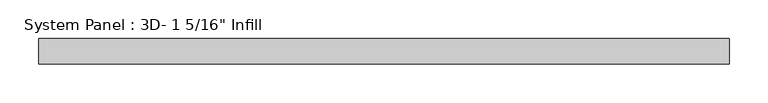
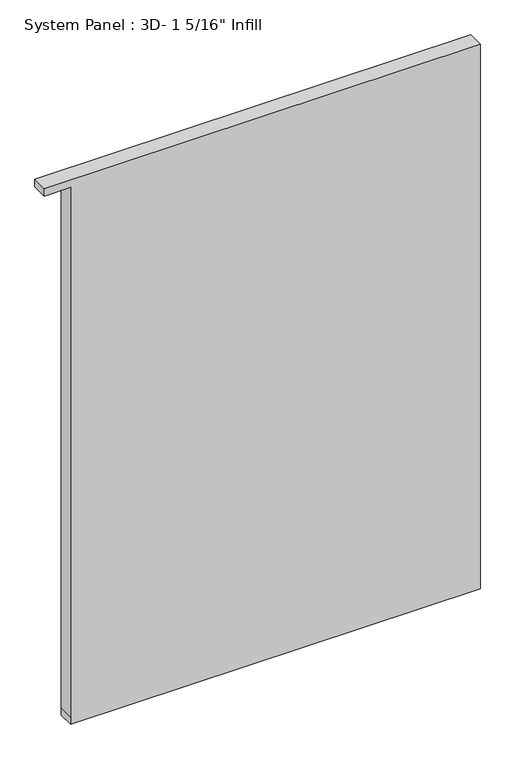
"""IFC4 building model written with IfcOpenShell, lengths in millimetres: plate geometry."""

from ifc_helpers import new_model, si_unit, frame, origin, place, context, project, spatial, polyline, outline, extrude, source, transform, mapped, element, save


def plate_2efa2187(model_context):
    return source(origin(), model_context, "Body", "SweptSolid", [
        extrude(outline(polyline([(0.0, -393.6769209), (0.0, 447.6519209), (15.875, 447.6519209), (1165.225, 447.6519209), (1181.1, 447.6519209), (1181.1, -447.6519209), (1165.225, -447.6519209), (1165.225, -393.6769209), (15.875, -393.6769209), (0.0, -393.6769209)])), frame((0.0, -16.66875, 0.0), z_axis=(0.0, 1.0, 0.0), x_axis=(0.0, 0.0, 1.0)), (0.0, 0.0, 1.0), 33.3375),
    ])


if __name__ == "__main__":
    model = new_model("IFC4")
    model_context = context("Model", 3, world=origin())
    ifc_project = project(units=[si_unit("LENGTHUNIT", "METRE", prefix="MILLI")], contexts=[model_context])
    site = spatial("IfcSite", under=ifc_project)
    building = spatial("IfcBuilding", under=site)
    placement = place(None, origin())
    plate_shape = plate_2efa2187(model_context)
    element("IfcPlate", 1, ObjectType="System Panel : 3D- 1 5/16\" Infill", at=placement, inside=building, context=model_context, shape_type="MappedRepresentation", body=[
        mapped(plate_shape, transform((0.0, 0.0, 0.0), x_axis=(1.0, 0.0, 0.0), y_axis=(0.0, 1.0, 0.0), z_axis=(0.0, 0.0, 1.0))),
    ])
    save(model, "model.ifc")
